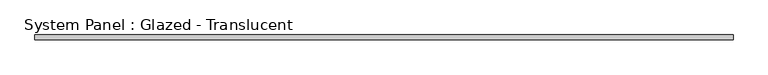
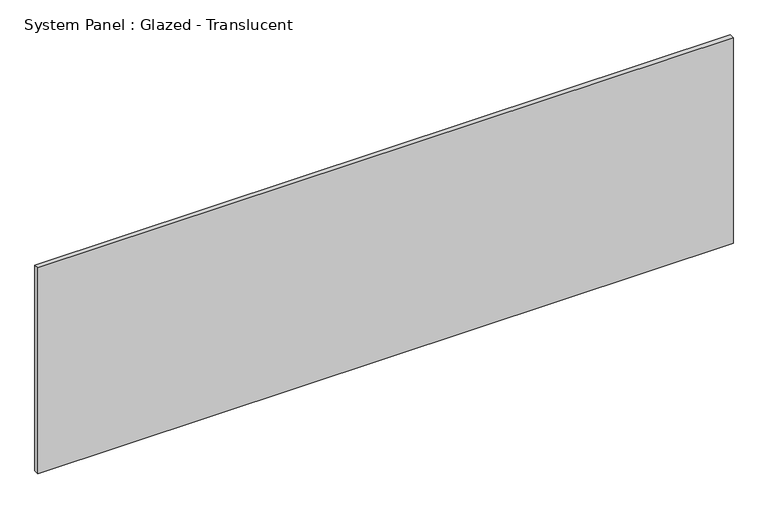
"""IFC4 building model written with IfcOpenShell, lengths in millimetres: plate geometry, System Panel : Glazed - Translucent."""

from ifc_helpers import new_model, si_unit, origin, origin_with_axes, place, context, project, spatial, polyline, outline, extrude, source, transform, mapped, element, save


def system_panel_glazed_translucent_9f7e6d9e(model_context):
    return source(origin(), model_context, "Body", "SweptSolid", [
        extrude(outline(polyline([(1797.05, -44.45), (-1797.05, -44.45), (-1797.05, -19.05), (1797.05, -19.05), (1797.05, -44.45)])), origin_with_axes(), (0.0, 0.0, 1.0), 1123.95),
    ])


if __name__ == "__main__":
    model = new_model("IFC4")
    model_context = context("Model", 3, world=origin())
    ifc_project = project(units=[si_unit("LENGTHUNIT", "METRE", prefix="MILLI")], contexts=[model_context])
    site = spatial("IfcSite", under=ifc_project)
    building = spatial("IfcBuilding", under=site)
    placement = place(None, origin())
    system_panel_glazed_translucent_shape = system_panel_glazed_translucent_9f7e6d9e(model_context)
    element("IfcPlate", 1, ObjectType="System Panel : Glazed - Translucent", at=placement, inside=building, context=model_context, shape_type="MappedRepresentation", body=[
        mapped(system_panel_glazed_translucent_shape, transform((0.0, 0.0, 0.0), x_axis=(1.0, 0.0, 0.0), y_axis=(0.0, 1.0, 0.0), z_axis=(0.0, 0.0, 1.0))),
    ])
    save(model, "model.ifc")
